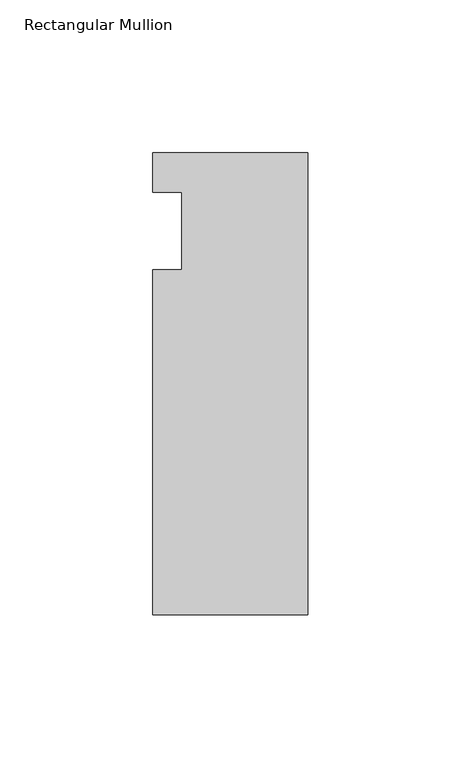
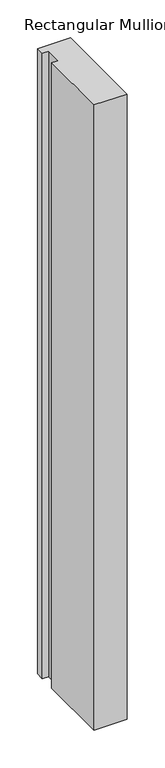
"""IFC4 building model written with IfcOpenShell, lengths in millimetres: member geometry, Rectangular Mullion."""

from ifc_helpers import new_model, si_unit, frame, origin, place, context, project, spatial, polyline, outline, extrude, source, transform, mapped, element, save


def rectangular_mullion_94a2e842(model_context):
    return source(origin(), model_context, "Body", "SweptSolid", [
        extrude(outline(polyline([(-50.8, 25.5984375), (0.0, 25.5984375), (0.0, -125.6109375), (-50.8, -125.6109375), (-50.8, -12.7), (-41.275, -12.7), (-41.275, 12.7), (-50.8, 12.7), (-50.8, 25.5984375)])), frame((0.0, 0.0, -1016.0), z_axis=(0.0, 0.0, 1.0), x_axis=(1.0, 0.0, 0.0)), (0.0, 0.0, 1.0), 1016.0),
    ])


if __name__ == "__main__":
    model = new_model("IFC4")
    model_context = context("Model", 3, world=origin())
    ifc_project = project(units=[si_unit("LENGTHUNIT", "METRE", prefix="MILLI")], contexts=[model_context])
    site = spatial("IfcSite", under=ifc_project)
    building = spatial("IfcBuilding", under=site)
    placement = place(None, origin())
    rectangular_mullion_shape = rectangular_mullion_94a2e842(model_context)
    element("IfcMember", 1, ObjectType="Rectangular Mullion", at=placement, inside=building, context=model_context, shape_type="MappedRepresentation", body=[
        mapped(rectangular_mullion_shape, transform((0.0, 0.0, 0.0), x_axis=(1.0, 0.0, 0.0), y_axis=(0.0, 1.0, 0.0), z_axis=(0.0, 0.0, 1.0))),
    ])
    save(model, "model.ifc")
